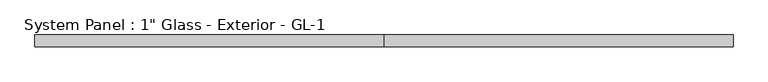
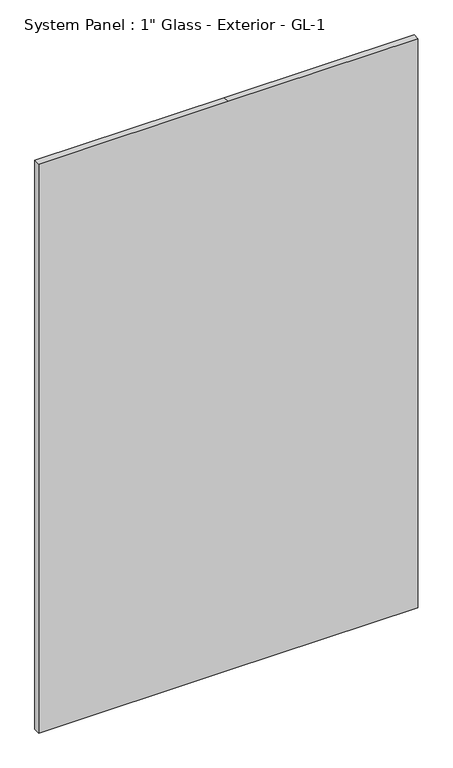
"""IFC4 building model written with IfcOpenShell, lengths in millimetres: plate geometry."""

from ifc_helpers import new_model, si_unit, frame, origin, place, context, project, spatial, polyline, outline, extrude, source, transform, mapped, element, save


def plate_6c5fabed(model_context):
    return source(origin(), model_context, "Body", "SweptSolid", [
        extrude(outline(polyline([(0.0, -752.475), (0.0, 0.0), (0.0, 752.475), (2387.6, 752.475), (2387.6, 0.0), (2387.6, -752.475), (0.0, -752.475)])), frame((0.0, 12.7, 0.0), z_axis=(0.0, 1.0, 0.0), x_axis=(0.0, 0.0, 1.0)), (0.0, 0.0, 1.0), 25.4),
    ])


if __name__ == "__main__":
    model = new_model("IFC4")
    model_context = context("Model", 3, world=origin())
    ifc_project = project(units=[si_unit("LENGTHUNIT", "METRE", prefix="MILLI")], contexts=[model_context])
    site = spatial("IfcSite", under=ifc_project)
    building = spatial("IfcBuilding", under=site)
    placement = place(None, origin())
    plate_shape = plate_6c5fabed(model_context)
    element("IfcPlate", 1, ObjectType="System Panel : 1\" Glass - Exterior - GL-1", at=placement, inside=building, context=model_context, shape_type="MappedRepresentation", body=[
        mapped(plate_shape, transform((0.0, 0.0, 0.0), x_axis=(1.0, 0.0, 0.0), y_axis=(0.0, 1.0, 0.0), z_axis=(0.0, 0.0, 1.0))),
    ])
    save(model, "model.ifc")
